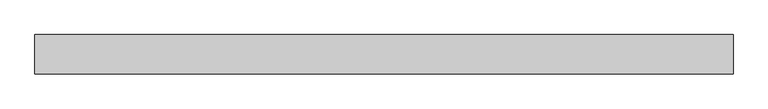
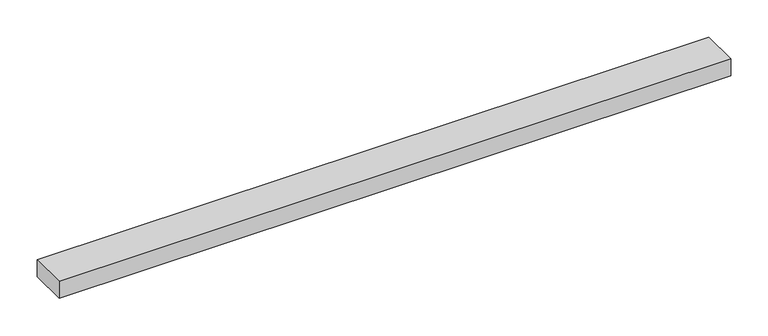
"""IFC4 building model written with IfcOpenShell, lengths in millimetres: proxy geometry."""

import ifcopenshell
import ifcopenshell.guid

model = None  # the IFC model being written
_history = None  # IfcOwnerHistory: only IFC2X3 demands one
_inside = {}  # id of a spatial element -> (the spatial element, [elements in it])
_under = {}  # id of a project, library or spatial element -> (it, [spatial elements below it])
_declared = {}  # id of a project -> (the project, [libraries it declares])
_typed = {}  # id of a type object -> (the type object, [elements of that type])
_made_of = {}  # id of a material, layer set ... -> (it, [elements and type objects made of it])


def new_model(schema):
    """Start an empty IFC model of exactly this schema.

    Asked for "IFC4X3", IfcOpenShell would pick the latest addendum, in which some entities
    have other attributes; the version numbers below select the first issue.
    IFC2X3 requires an IfcOwnerHistory on every rooted entity: one is made here for all.
    """
    global model, _history
    if schema == "IFC4X3":
        model = ifcopenshell.file(schema_version=(4, 3, 0, 0))
    else:
        model = ifcopenshell.file(schema=schema)
    _inside.clear()
    _under.clear()
    _declared.clear()
    _typed.clear()
    _made_of.clear()
    _history = None
    if model.schema == "IFC2X3":
        org = make("IfcOrganization", Name="unknown")
        user = make(
            "IfcPersonAndOrganization",
            ThePerson=make("IfcPerson", FamilyName="unknown"),
            TheOrganization=org,
        )
        app = make(
            "IfcApplication",
            ApplicationDeveloper=org,
            Version="unknown",
            ApplicationFullName="unknown",
            ApplicationIdentifier="unknown",
        )
        _history = make(
            "IfcOwnerHistory",
            OwningUser=user,
            OwningApplication=app,
            ChangeAction="ADDED",
            CreationDate=0,
        )
    return model


def make(cls, **values):
    """One entity of the class cls with the attributes given. An attribute that is None is left unset."""
    return model.create_entity(
        cls, **{name: value for name, value in values.items() if value is not None}
    )


def rooted(cls, **values):
    """An entity with a GlobalId (a new one), such as an element, a storey or a relation."""
    return make(cls, GlobalId=ifcopenshell.guid.new(), OwnerHistory=_history, **values)


def si_unit(unit_type, name, prefix=None):
    """IfcSIUnit, for example si_unit("LENGTHUNIT", "METRE", prefix="MILLI")."""
    return make("IfcSIUnit", UnitType=unit_type, Prefix=prefix, Name=name)


def assignment(units):
    """IfcUnitAssignment: the units of a project."""
    return None if units is None else make("IfcUnitAssignment", Units=units)


def point(xyz):
    """IfcCartesianPoint."""
    return None if xyz is None else make("IfcCartesianPoint", Coordinates=xyz)


def direction(xyz):
    """IfcDirection."""
    return None if xyz is None else make("IfcDirection", DirectionRatios=xyz)


def frame(location, z_axis=None, x_axis=None):
    """IfcAxis2Placement3D, a coordinate frame: its origin and axes. An axis left out is left unset."""
    return make(
        "IfcAxis2Placement3D",
        Location=point(location),
        Axis=direction(z_axis),
        RefDirection=direction(x_axis),
    )


def origin():
    """The frame at (0, 0, 0) with its axes left unset."""
    return frame((0.0, 0.0, 0.0))


def place(relative_to, where):
    """IfcLocalPlacement: puts the frame where relative to a parent placement (None: the world)."""
    return make(
        "IfcLocalPlacement", PlacementRelTo=relative_to, RelativePlacement=where
    )


def context(
    kind, dimensions, precision=None, world=None, true_north=None, identifier=None
):
    """IfcGeometricRepresentationContext, for example the 3D "Model" context."""
    return make(
        "IfcGeometricRepresentationContext",
        ContextIdentifier=identifier,
        ContextType=kind,
        CoordinateSpaceDimension=dimensions,
        Precision=precision,
        WorldCoordinateSystem=world,
        TrueNorth=true_north,
    )


def project(units=None, contexts=None):
    """IfcProject with its units and contexts."""
    return rooted(
        "IfcProject",
        Name="project",
        RepresentationContexts=contexts,
        UnitsInContext=assignment(units),
    )


def spatial(cls, under=None, at=None, **own):
    """A site, building, storey or space (cls), placed at a placement, below another one or the project."""
    s = rooted(cls, ObjectPlacement=at, **own)
    if under is not None:
        _under.setdefault(under.id(), (under, []))[1].append(s)
    return s


def polyline(points):
    """IfcPolyline through the points."""
    return make("IfcPolyline", Points=[point(p) for p in points])


def outline(outer, holes=None, kind="AREA"):
    """IfcArbitraryClosedProfileDef: a profile drawn as a closed curve; with holes, ...WithVoids."""
    if holes is None:
        return make("IfcArbitraryClosedProfileDef", ProfileType=kind, OuterCurve=outer)
    return make(
        "IfcArbitraryProfileDefWithVoids",
        ProfileType=kind,
        OuterCurve=outer,
        InnerCurves=holes,
    )


def extrude(swept, where, along, depth):
    """IfcExtrudedAreaSolid: the profile swept, set in the frame where, extruded along a direction by depth."""
    return make(
        "IfcExtrudedAreaSolid",
        SweptArea=swept,
        Position=where,
        ExtrudedDirection=direction(along),
        Depth=depth,
    )


def shape(context_of_items, identifier, shape_type, items):
    """IfcShapeRepresentation: the items that make up one representation, for example the "Body"."""
    return make(
        "IfcShapeRepresentation",
        ContextOfItems=context_of_items,
        RepresentationIdentifier=identifier,
        RepresentationType=shape_type,
        Items=items,
    )


def source(mapping_origin, context_of_items, identifier, shape_type, items):
    """IfcRepresentationMap: a shape defined once, which mapped items show again and again."""
    return make(
        "IfcRepresentationMap",
        MappingOrigin=mapping_origin,
        MappedRepresentation=shape(context_of_items, identifier, shape_type, items),
    )


def transform(
    local_origin,
    x_axis=None,
    y_axis=None,
    z_axis=None,
    scale=None,
    scale2=None,
    scale3=None,
    uniform=True,
):
    """IfcCartesianTransformationOperator3D, or its non-uniform kind. x_axis, y_axis, z_axis: its Axis1, 2, 3."""
    if uniform:
        return make(
            "IfcCartesianTransformationOperator3D",
            Axis1=direction(x_axis),
            Axis2=direction(y_axis),
            LocalOrigin=point(local_origin),
            Scale=scale,
            Axis3=direction(z_axis),
        )
    return make(
        "IfcCartesianTransformationOperator3DnonUniform",
        Axis1=direction(x_axis),
        Axis2=direction(y_axis),
        LocalOrigin=point(local_origin),
        Scale=scale,
        Axis3=direction(z_axis),
        Scale2=scale2,
        Scale3=scale3,
    )


def mapped(mapping_source, mapping_target):
    """IfcMappedItem: shows the shape of a source again, moved by a transform."""
    return make(
        "IfcMappedItem", MappingSource=mapping_source, MappingTarget=mapping_target
    )


def made_of(thing, what):
    """Note that an element or type object is made of a material, layer set ...; save() writes the relation."""
    if what is not None:
        _made_of.setdefault(what.id(), (what, []))[1].append(thing)
    return thing


def element(
    cls,
    number,
    at=None,
    inside=None,
    cuts=None,
    type_object=None,
    material=None,
    context=None,
    identifier="Body",
    shape_type=None,
    held_by="IfcProductDefinitionShape",
    body=None,
    shapes=None,
    **own,
):
    """One element of the class cls, such as IfcWall. Its Tag is "e" and its number.

    at: its placement. inside: the storey or other place that contains it. cuts: it is an
    opening in that element (IfcRelVoidsElement). A single representation is given by context,
    identifier, shape_type and body (its items); several are given by shapes. held_by: the class
    of the entity that holds the representations. save() writes the other relations.
    """
    e = rooted(cls, Tag="e%d" % number, ObjectPlacement=at, **own)
    if body is not None:
        shapes = [shape(context, identifier, shape_type, body)]
    if shapes is not None:
        e.Representation = make(held_by, Representations=shapes)
    if inside is not None:
        _inside.setdefault(inside.id(), (inside, []))[1].append(e)
    if cuts is not None:
        rooted(
            "IfcRelVoidsElement", RelatingBuildingElement=cuts, RelatedOpeningElement=e
        )
    if type_object is not None:
        _typed.setdefault(type_object.id(), (type_object, []))[1].append(e)
    return made_of(e, material)


def aggregate(whole, parts):
    """IfcRelAggregates: a whole, such as a stair, and the parts it consists of."""
    return rooted("IfcRelAggregates", RelatingObject=whole, RelatedObjects=parts)


def save(model, path):
    """Write the relations noted so far, then the file.

    IfcRelAggregates (storeys below a building ...), IfcRelContainedInSpatialStructure (elements
    in a storey), IfcRelDefinesByType, IfcRelAssociatesMaterial and IfcRelDeclares: one each for
    every whole, place, type object, material and project.
    """
    for whole, parts in _under.values():
        aggregate(whole, parts)
    for where, things in _inside.values():
        rooted(
            "IfcRelContainedInSpatialStructure",
            RelatedElements=things,
            RelatingStructure=where,
        )
    for kind, things in _typed.values():
        rooted("IfcRelDefinesByType", RelatedObjects=things, RelatingType=kind)
    for what, things in _made_of.values():
        rooted("IfcRelAssociatesMaterial", RelatedObjects=things, RelatingMaterial=what)
    for by, libraries in _declared.values():
        rooted("IfcRelDeclares", RelatingContext=by, RelatedDefinitions=libraries)
    model.write(path)


def specialty_equipment_c5ac3fa2(model_context):
    return source(origin(), model_context, "Body", "SweptSolid", [
        extrude(outline(polyline([(-520.7, -29.2199219), (-520.7, 29.2199219), (520.7, 29.2199219), (520.7, -29.2199219), (-520.7, -29.2199219)])), frame((0.0, 0.0, -13.9898438), z_axis=(0.0, 0.0, 1.0), x_axis=(1.0, 0.0, 0.0)), (0.0, 0.0, 1.0), 27.9796875),
    ])


if __name__ == "__main__":
    model = new_model("IFC4")
    model_context = context("Model", 3, world=origin())
    ifc_project = project(units=[si_unit("LENGTHUNIT", "METRE", prefix="MILLI")], contexts=[model_context])
    site = spatial("IfcSite", under=ifc_project)
    building = spatial("IfcBuilding", under=site)
    placement = place(None, origin())
    specialty_equipment_shape = specialty_equipment_c5ac3fa2(model_context)
    element("IfcBuildingElementProxy", 1, Name="Specialty Equipment", at=placement, inside=building, context=model_context, shape_type="MappedRepresentation", body=[
        mapped(specialty_equipment_shape, transform((0.0, 0.0, 0.0), x_axis=(1.0, 0.0, 0.0), y_axis=(0.0, 1.0, 0.0), z_axis=(0.0, 0.0, 1.0))),
    ])
    save(model, "model.ifc")
